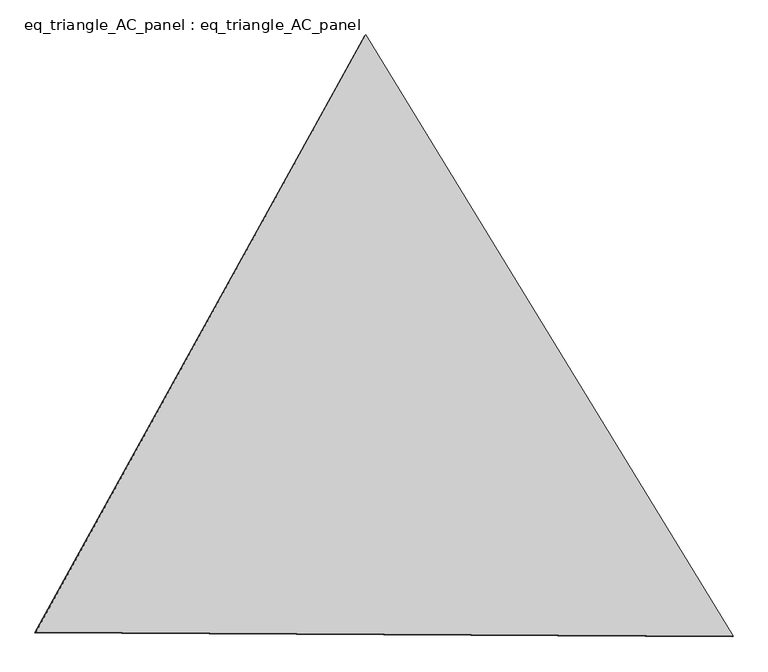
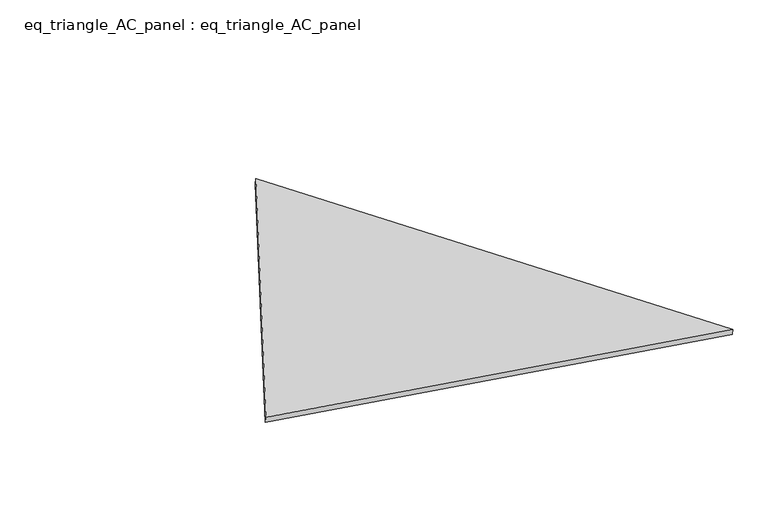
"""IFC4 building model written with IfcOpenShell, lengths in millimetres: proxy geometry, eq_triangle_AC_panel : eq_triangle_AC_panel."""

from ifc_helpers import new_model, si_unit, frame, origin, place, context, project, spatial, polyline, outline, extrude, source, transform, mapped, element, save


def eq_triangle_ac_panel_eq_triangle_ac_panel_899c571a(model_context):
    return source(origin(), model_context, "Body", "SweptSolid", [
        extrude(outline(polyline([(-2032.8306629, 1173.1700195), (2091.2842302, 1173.1700195), (-58.4535674, -2346.3400392), (-2032.8306629, 1173.1700195)])), frame((-6.3631761, 524.2531996, 46.6143561), z_axis=(0.14526328518058165, 0.08386570281802165, 0.9858321976225894), x_axis=(0.5211103640699682, -0.8534790669541881, -0.004179800219355064)), (0.0, 0.0, 1.0), 43.8306294),
    ])


if __name__ == "__main__":
    model = new_model("IFC4")
    model_context = context("Model", 3, world=origin())
    ifc_project = project(units=[si_unit("LENGTHUNIT", "METRE", prefix="MILLI")], contexts=[model_context])
    site = spatial("IfcSite", under=ifc_project)
    building = spatial("IfcBuilding", under=site)
    placement = place(None, origin())
    eq_triangle_ac_panel_eq_triangle_ac_panel_shape = eq_triangle_ac_panel_eq_triangle_ac_panel_899c571a(model_context)
    element("IfcBuildingElementProxy", 1, Name="eq_triangle_AC_panel : eq_triangle_AC_panel", ObjectType="eq_triangle_AC_panel : eq_triangle_AC_panel", at=placement, inside=building, context=model_context, shape_type="MappedRepresentation", body=[
        mapped(eq_triangle_ac_panel_eq_triangle_ac_panel_shape, transform((0.0, 0.0, 0.0), x_axis=(1.0, 0.0, 0.0), y_axis=(0.0, 1.0, 0.0), z_axis=(0.0, 0.0, 1.0))),
    ])
    save(model, "model.ifc")
